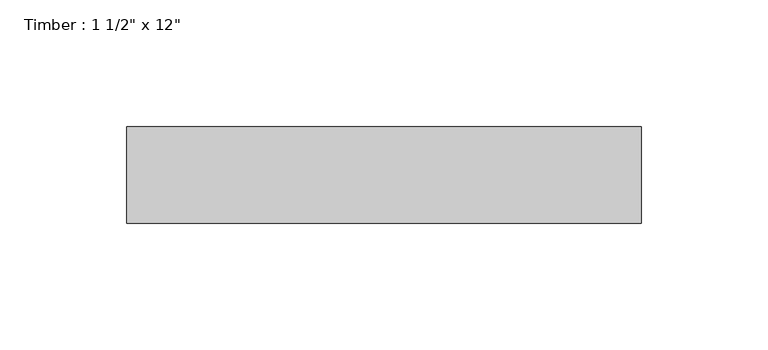
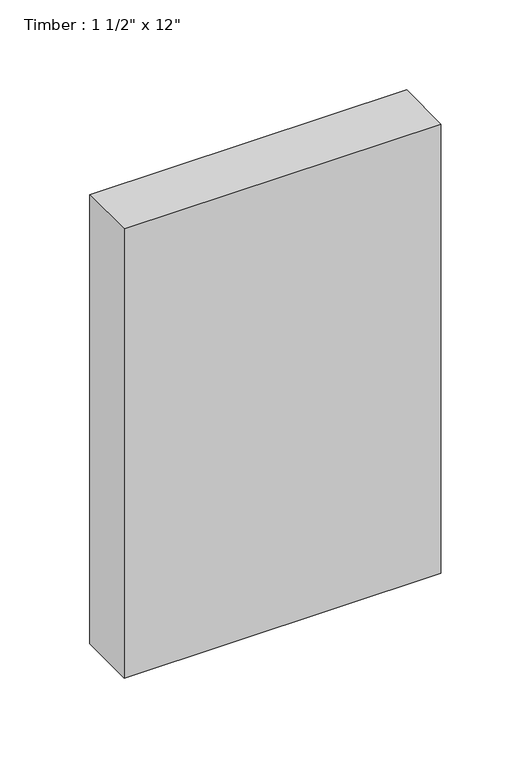
"""IFC4 building model written with IfcOpenShell, lengths in millimetres: beam geometry."""

from ifc_helpers import new_model, si_unit, frame, origin, place, context, project, spatial, polyline, outline, extrude, source, transform, mapped, element, save


def beam_40e5af1c(model_context):
    return source(origin(), model_context, "Body", "SweptSolid", [
        extrude(outline(polyline([(101.6, 19.05), (101.6, -19.05), (-101.6, -19.05), (-101.6, 19.05), (101.6, 19.05)])), frame((0.0, 0.0, -152.4), z_axis=(0.0, 0.0, 1.0), x_axis=(1.0, 0.0, 0.0)), (0.0, 0.0, 1.0), 304.8),
    ])


if __name__ == "__main__":
    model = new_model("IFC4")
    model_context = context("Model", 3, world=origin())
    ifc_project = project(units=[si_unit("LENGTHUNIT", "METRE", prefix="MILLI")], contexts=[model_context])
    site = spatial("IfcSite", under=ifc_project)
    building = spatial("IfcBuilding", under=site)
    placement = place(None, origin())
    beam_shape = beam_40e5af1c(model_context)
    element("IfcBeam", 1, ObjectType="Timber : 1 1/2\" x 12\"", at=placement, inside=building, context=model_context, shape_type="MappedRepresentation", body=[
        mapped(beam_shape, transform((0.0, 0.0, 0.0), x_axis=(1.0, 0.0, 0.0), y_axis=(0.0, 1.0, 0.0), z_axis=(0.0, 0.0, 1.0))),
    ])
    save(model, "model.ifc")
